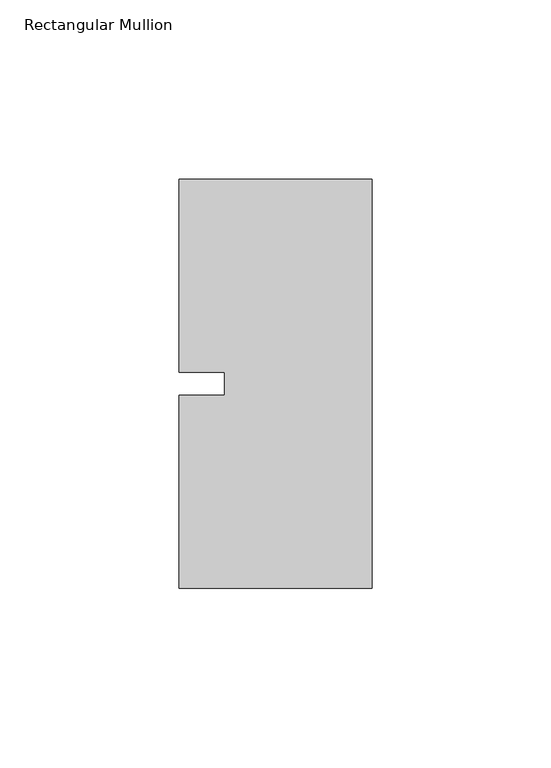
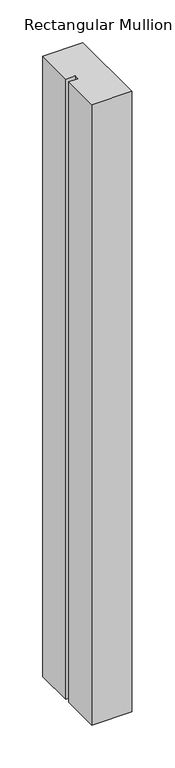
"""IFC4 building model written with IfcOpenShell, lengths in millimetres: member geometry, Rectangular Mullion."""

from ifc_helpers import new_model, si_unit, frame, origin, place, context, project, spatial, polyline, outline, extrude, source, transform, mapped, element, save


def rectangular_mullion_0bb872fa(model_context):
    return source(origin(), model_context, "Body", "SweptSolid", [
        extrude(outline(polyline([(-53.975, 57.15), (0.0, 57.15), (0.0, -57.15), (-53.975, -57.15), (-53.975, -3.175), (-41.2732296, -3.175), (-41.2732296, 3.175), (-53.975, 3.175), (-53.975, 57.15)])), frame((0.0, 0.0, -883.8094027), z_axis=(0.0, 0.0, 1.0), x_axis=(1.0, 0.0, 0.0)), (0.0, 0.0, 1.0), 883.8094027),
    ])


if __name__ == "__main__":
    model = new_model("IFC4")
    model_context = context("Model", 3, world=origin())
    ifc_project = project(units=[si_unit("LENGTHUNIT", "METRE", prefix="MILLI")], contexts=[model_context])
    site = spatial("IfcSite", under=ifc_project)
    building = spatial("IfcBuilding", under=site)
    placement = place(None, origin())
    rectangular_mullion_shape = rectangular_mullion_0bb872fa(model_context)
    element("IfcMember", 1, ObjectType="Rectangular Mullion", at=placement, inside=building, context=model_context, shape_type="MappedRepresentation", body=[
        mapped(rectangular_mullion_shape, transform((0.0, 0.0, 0.0), x_axis=(1.0, 0.0, 0.0), y_axis=(0.0, 1.0, 0.0), z_axis=(0.0, 0.0, 1.0))),
    ])
    save(model, "model.ifc")
